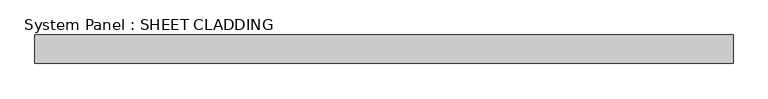
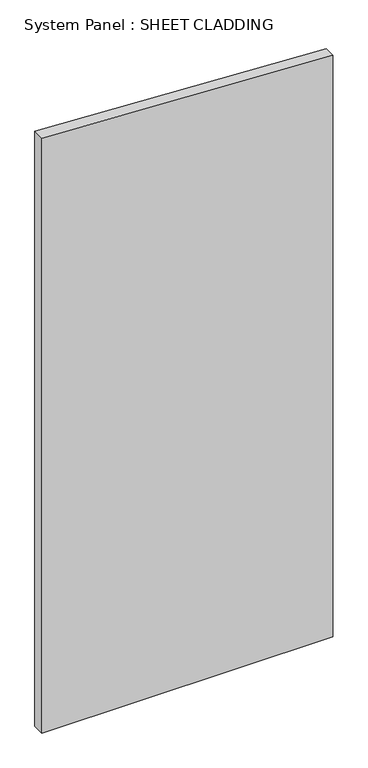
"""IFC4 building model written with IfcOpenShell, lengths in millimetres: plate geometry, System Panel : SHEET CLADDING."""

from ifc_helpers import new_model, si_unit, frame, origin, place, context, project, spatial, polyline, outline, extrude, source, transform, mapped, element, save


def system_panel_sheet_cladding_7b8fa8ae(model_context):
    return source(origin(), model_context, "Body", "SweptSolid", [
        extrude(outline(polyline([(0.0, -735.4591837), (0.0, 735.4591837), (3104.8959184, 735.4591837), (3178.4418367, -735.4591837), (0.0, -735.4591837)])), frame((0.0, -10.5, 0.0), z_axis=(0.0, 1.0, 0.0), x_axis=(0.0, 0.0, 1.0)), (0.0, 0.0, 1.0), 60.0),
    ])


if __name__ == "__main__":
    model = new_model("IFC4")
    model_context = context("Model", 3, world=origin())
    ifc_project = project(units=[si_unit("LENGTHUNIT", "METRE", prefix="MILLI")], contexts=[model_context])
    site = spatial("IfcSite", under=ifc_project)
    building = spatial("IfcBuilding", under=site)
    placement = place(None, origin())
    system_panel_sheet_cladding_shape = system_panel_sheet_cladding_7b8fa8ae(model_context)
    element("IfcPlate", 1, ObjectType="System Panel : SHEET CLADDING", at=placement, inside=building, context=model_context, shape_type="MappedRepresentation", body=[
        mapped(system_panel_sheet_cladding_shape, transform((0.0, 0.0, 0.0), x_axis=(1.0, 0.0, 0.0), y_axis=(0.0, 1.0, 0.0), z_axis=(0.0, 0.0, 1.0))),
    ])
    save(model, "model.ifc")
